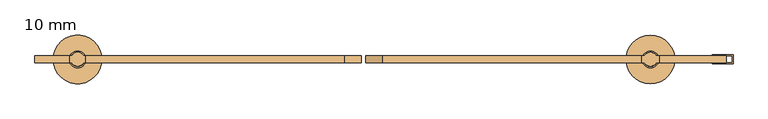
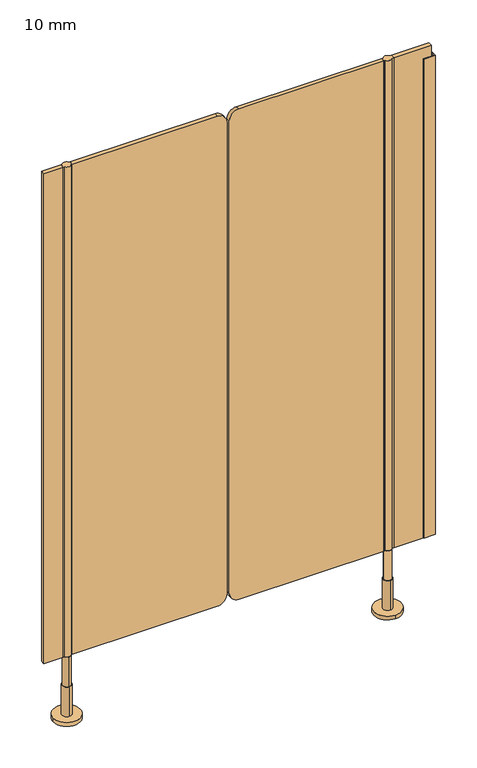
"""IFC4 building model written with IfcOpenShell, lengths in millimetres: door geometry, 10 mm."""

import ifcopenshell
import ifcopenshell.guid

model = None  # the IFC model being written
_history = None  # IfcOwnerHistory: only IFC2X3 demands one
_inside = {}  # id of a spatial element -> (the spatial element, [elements in it])
_under = {}  # id of a project, library or spatial element -> (it, [spatial elements below it])
_declared = {}  # id of a project -> (the project, [libraries it declares])
_typed = {}  # id of a type object -> (the type object, [elements of that type])
_made_of = {}  # id of a material, layer set ... -> (it, [elements and type objects made of it])


def new_model(schema):
    """Start an empty IFC model of exactly this schema.

    Asked for "IFC4X3", IfcOpenShell would pick the latest addendum, in which some entities
    have other attributes; the version numbers below select the first issue.
    IFC2X3 requires an IfcOwnerHistory on every rooted entity: one is made here for all.
    """
    global model, _history
    if schema == "IFC4X3":
        model = ifcopenshell.file(schema_version=(4, 3, 0, 0))
    else:
        model = ifcopenshell.file(schema=schema)
    _inside.clear()
    _under.clear()
    _declared.clear()
    _typed.clear()
    _made_of.clear()
    _history = None
    if model.schema == "IFC2X3":
        org = make("IfcOrganization", Name="unknown")
        user = make(
            "IfcPersonAndOrganization",
            ThePerson=make("IfcPerson", FamilyName="unknown"),
            TheOrganization=org,
        )
        app = make(
            "IfcApplication",
            ApplicationDeveloper=org,
            Version="unknown",
            ApplicationFullName="unknown",
            ApplicationIdentifier="unknown",
        )
        _history = make(
            "IfcOwnerHistory",
            OwningUser=user,
            OwningApplication=app,
            ChangeAction="ADDED",
            CreationDate=0,
        )
    return model


def make(cls, **values):
    """One entity of the class cls with the attributes given. An attribute that is None is left unset."""
    return model.create_entity(
        cls, **{name: value for name, value in values.items() if value is not None}
    )


def rooted(cls, **values):
    """An entity with a GlobalId (a new one), such as an element, a storey or a relation."""
    return make(cls, GlobalId=ifcopenshell.guid.new(), OwnerHistory=_history, **values)


def si_unit(unit_type, name, prefix=None):
    """IfcSIUnit, for example si_unit("LENGTHUNIT", "METRE", prefix="MILLI")."""
    return make("IfcSIUnit", UnitType=unit_type, Prefix=prefix, Name=name)


def assignment(units):
    """IfcUnitAssignment: the units of a project."""
    return None if units is None else make("IfcUnitAssignment", Units=units)


def point(xyz):
    """IfcCartesianPoint."""
    return None if xyz is None else make("IfcCartesianPoint", Coordinates=xyz)


def direction(xyz):
    """IfcDirection."""
    return None if xyz is None else make("IfcDirection", DirectionRatios=xyz)


def frame(location, z_axis=None, x_axis=None):
    """IfcAxis2Placement3D, a coordinate frame: its origin and axes. An axis left out is left unset."""
    return make(
        "IfcAxis2Placement3D",
        Location=point(location),
        Axis=direction(z_axis),
        RefDirection=direction(x_axis),
    )


def frame_2d(location, x_axis=None):
    """IfcAxis2Placement2D, a coordinate frame in the plane: its origin and x axis."""
    return make(
        "IfcAxis2Placement2D", Location=point(location), RefDirection=direction(x_axis)
    )


def origin():
    """The frame at (0, 0, 0) with its axes left unset."""
    return frame((0.0, 0.0, 0.0))


def place(relative_to, where):
    """IfcLocalPlacement: puts the frame where relative to a parent placement (None: the world)."""
    return make(
        "IfcLocalPlacement", PlacementRelTo=relative_to, RelativePlacement=where
    )


def context(
    kind, dimensions, precision=None, world=None, true_north=None, identifier=None
):
    """IfcGeometricRepresentationContext, for example the 3D "Model" context."""
    return make(
        "IfcGeometricRepresentationContext",
        ContextIdentifier=identifier,
        ContextType=kind,
        CoordinateSpaceDimension=dimensions,
        Precision=precision,
        WorldCoordinateSystem=world,
        TrueNorth=true_north,
    )


def project(units=None, contexts=None):
    """IfcProject with its units and contexts."""
    return rooted(
        "IfcProject",
        Name="project",
        RepresentationContexts=contexts,
        UnitsInContext=assignment(units),
    )


def spatial(cls, under=None, at=None, **own):
    """A site, building, storey or space (cls), placed at a placement, below another one or the project."""
    s = rooted(cls, ObjectPlacement=at, **own)
    if under is not None:
        _under.setdefault(under.id(), (under, []))[1].append(s)
    return s


def polyline(points):
    """IfcPolyline through the points."""
    return make("IfcPolyline", Points=[point(p) for p in points])


def circle_curve(where, radius):
    """IfcCircle in the frame where."""
    return make("IfcCircle", Position=where, Radius=radius)


def trimmed(basis, trim1, trim2, sense, master):
    """IfcTrimmedCurve: the piece of a basis curve between two trims."""
    return make(
        "IfcTrimmedCurve",
        BasisCurve=basis,
        Trim1=trim1,
        Trim2=trim2,
        SenseAgreement=sense,
        MasterRepresentation=master,
    )


def segment(curve, same_sense, transition):
    """IfcCompositeCurveSegment."""
    return make(
        "IfcCompositeCurveSegment",
        Transition=transition,
        SameSense=same_sense,
        ParentCurve=curve,
    )


def composite_curve(segments, self_intersect=None):
    """IfcCompositeCurve: segments joined end to end."""
    return make("IfcCompositeCurve", Segments=segments, SelfIntersect=self_intersect)


def outline(outer, holes=None, kind="AREA"):
    """IfcArbitraryClosedProfileDef: a profile drawn as a closed curve; with holes, ...WithVoids."""
    if holes is None:
        return make("IfcArbitraryClosedProfileDef", ProfileType=kind, OuterCurve=outer)
    return make(
        "IfcArbitraryProfileDefWithVoids",
        ProfileType=kind,
        OuterCurve=outer,
        InnerCurves=holes,
    )


def extrude(swept, where, along, depth):
    """IfcExtrudedAreaSolid: the profile swept, set in the frame where, extruded along a direction by depth."""
    return make(
        "IfcExtrudedAreaSolid",
        SweptArea=swept,
        Position=where,
        ExtrudedDirection=direction(along),
        Depth=depth,
    )


def shape(context_of_items, identifier, shape_type, items):
    """IfcShapeRepresentation: the items that make up one representation, for example the "Body"."""
    return make(
        "IfcShapeRepresentation",
        ContextOfItems=context_of_items,
        RepresentationIdentifier=identifier,
        RepresentationType=shape_type,
        Items=items,
    )


def source(mapping_origin, context_of_items, identifier, shape_type, items):
    """IfcRepresentationMap: a shape defined once, which mapped items show again and again."""
    return make(
        "IfcRepresentationMap",
        MappingOrigin=mapping_origin,
        MappedRepresentation=shape(context_of_items, identifier, shape_type, items),
    )


def transform(
    local_origin,
    x_axis=None,
    y_axis=None,
    z_axis=None,
    scale=None,
    scale2=None,
    scale3=None,
    uniform=True,
):
    """IfcCartesianTransformationOperator3D, or its non-uniform kind. x_axis, y_axis, z_axis: its Axis1, 2, 3."""
    if uniform:
        return make(
            "IfcCartesianTransformationOperator3D",
            Axis1=direction(x_axis),
            Axis2=direction(y_axis),
            LocalOrigin=point(local_origin),
            Scale=scale,
            Axis3=direction(z_axis),
        )
    return make(
        "IfcCartesianTransformationOperator3DnonUniform",
        Axis1=direction(x_axis),
        Axis2=direction(y_axis),
        LocalOrigin=point(local_origin),
        Scale=scale,
        Axis3=direction(z_axis),
        Scale2=scale2,
        Scale3=scale3,
    )


def mapped(mapping_source, mapping_target):
    """IfcMappedItem: shows the shape of a source again, moved by a transform."""
    return make(
        "IfcMappedItem", MappingSource=mapping_source, MappingTarget=mapping_target
    )


def made_of(thing, what):
    """Note that an element or type object is made of a material, layer set ...; save() writes the relation."""
    if what is not None:
        _made_of.setdefault(what.id(), (what, []))[1].append(thing)
    return thing


def element(
    cls,
    number,
    at=None,
    inside=None,
    cuts=None,
    type_object=None,
    material=None,
    context=None,
    identifier="Body",
    shape_type=None,
    held_by="IfcProductDefinitionShape",
    body=None,
    shapes=None,
    **own,
):
    """One element of the class cls, such as IfcWall. Its Tag is "e" and its number.

    at: its placement. inside: the storey or other place that contains it. cuts: it is an
    opening in that element (IfcRelVoidsElement). A single representation is given by context,
    identifier, shape_type and body (its items); several are given by shapes. held_by: the class
    of the entity that holds the representations. save() writes the other relations.
    """
    e = rooted(cls, Tag="e%d" % number, ObjectPlacement=at, **own)
    if body is not None:
        shapes = [shape(context, identifier, shape_type, body)]
    if shapes is not None:
        e.Representation = make(held_by, Representations=shapes)
    if inside is not None:
        _inside.setdefault(inside.id(), (inside, []))[1].append(e)
    if cuts is not None:
        rooted(
            "IfcRelVoidsElement", RelatingBuildingElement=cuts, RelatedOpeningElement=e
        )
    if type_object is not None:
        _typed.setdefault(type_object.id(), (type_object, []))[1].append(e)
    return made_of(e, material)


def aggregate(whole, parts):
    """IfcRelAggregates: a whole, such as a stair, and the parts it consists of."""
    return rooted("IfcRelAggregates", RelatingObject=whole, RelatedObjects=parts)


def save(model, path):
    """Write the relations noted so far, then the file.

    IfcRelAggregates (storeys below a building ...), IfcRelContainedInSpatialStructure (elements
    in a storey), IfcRelDefinesByType, IfcRelAssociatesMaterial and IfcRelDeclares: one each for
    every whole, place, type object, material and project.
    """
    for whole, parts in _under.values():
        aggregate(whole, parts)
    for where, things in _inside.values():
        rooted(
            "IfcRelContainedInSpatialStructure",
            RelatedElements=things,
            RelatingStructure=where,
        )
    for kind, things in _typed.values():
        rooted("IfcRelDefinesByType", RelatedObjects=things, RelatingType=kind)
    for what, things in _made_of.values():
        rooted("IfcRelAssociatesMaterial", RelatedObjects=things, RelatingMaterial=what)
    for by, libraries in _declared.values():
        rooted("IfcRelDeclares", RelatingContext=by, RelatedDefinitions=libraries)
    model.write(path)


def plane_surface(at):
    """IfcPlane: the flat surface through the origin of the frame at, square to its z axis."""
    return make("IfcPlane", Position=at)


def cylinder_surface(at, radius):
    """IfcCylindricalSurface: all points at the distance radius from the z axis of the frame at."""
    return make("IfcCylindricalSurface", Position=at, Radius=radius)


def advanced_brep(points, edges, surfaces, faces):
    """IfcAdvancedBrep: a solid bounded by faces that lie on surfaces and meet in shared edges.

    An edge is (start, end): straight between two places in points (the first is 0);
    or (start, end, curve); or (start, end, curve, False) where it runs against its curve.
    A face is (place in surfaces, loops), or (place, loops, False) where it looks against
    its surface's normal. A loop lists edges by number (the first is 1), with a minus sign
    where the edge is run from its end to its start. The first loop is the outer one.
    """
    corners = [point(p) for p in points]
    vertices = [make("IfcVertexPoint", VertexGeometry=c) for c in corners]
    made = []
    for start, end, *more in edges:
        made.append(
            make(
                "IfcEdgeCurve",
                EdgeStart=vertices[start],
                EdgeEnd=vertices[end],
                EdgeGeometry=more[0] if more else make("IfcPolyline", Points=[corners[start], corners[end]]),
                SameSense=more[1] if len(more) > 1 else True,
            )
        )
    hull = []
    for where, loops, *sense in faces:
        bounds = []
        for j, loop in enumerate(loops):
            ring = [make("IfcOrientedEdge", EdgeElement=made[abs(k) - 1], Orientation=k > 0) for k in loop]
            bounds.append(
                make(
                    "IfcFaceOuterBound" if j == 0 else "IfcFaceBound",
                    Bound=make("IfcEdgeLoop", EdgeList=ring),
                    Orientation=True,
                )
            )
        hull.append(make("IfcAdvancedFace", Bounds=bounds, FaceSurface=surfaces[where], SameSense=sense[0] if sense else True))
    return make("IfcAdvancedBrep", Outer=make("IfcClosedShell", CfsFaces=hull))


def door_10_mm_bf84d786(model_context):
    return source(origin(), model_context, "Body", "SolidModel", [
        advanced_brep(
        [(399.5, -1295.0, 170.0), (379.5, -1295.0, 170.0), (379.5, -1295.0, 90.0), (399.5, -1295.0, 90.0), (389.5, -1283.0, 90.0), (389.5, -1307.0, 90.0), (389.5, -1283.0, 10.0), (389.5, -1307.0, 10.0), (389.5, -1260.0, 10.0), (389.5, -1330.0, 10.0), (389.5, -1260.0, 0.0), (389.5, -1330.0, 0.0)],
        [
            (0, 1, circle_curve(frame((389.5, -1295.0, 170.0), z_axis=(0.0, 0.0, 1.0), x_axis=(-1.0, 0.0, 0.0)), 10.0)),
            (1, 0, circle_curve(frame((389.5, -1295.0, 170.0), z_axis=(0.0, 0.0, 1.0), x_axis=(-1.0, 0.0, 0.0)), 10.0)),
            (1, 2),
            (2, 3, circle_curve(frame((389.5, -1295.0, 90.0), z_axis=(0.0, 0.0, 1.0), x_axis=(-1.0, 0.0, 0.0)), 10.0)),
            (3, 0),
            (3, 2, circle_curve(frame((389.5, -1295.0, 90.0), z_axis=(0.0, 0.0, 1.0), x_axis=(-1.0, 0.0, 0.0)), 10.0)),
            (4, 5, circle_curve(frame((389.5, -1295.0, 90.0), z_axis=(0.0, 0.0, 1.0), x_axis=(0.0, -1.0, 0.0)), 12.0)),
            (5, 4, circle_curve(frame((389.5, -1295.0, 90.0), z_axis=(0.0, 0.0, 1.0), x_axis=(0.0, -1.0, 0.0)), 12.0)),
            (4, 6),
            (6, 7, circle_curve(frame((389.5, -1295.0, 10.0), z_axis=(0.0, 0.0, 1.0), x_axis=(0.0, -1.0, 0.0)), 12.0)),
            (7, 5),
            (7, 6, circle_curve(frame((389.5, -1295.0, 10.0), z_axis=(0.0, 0.0, 1.0), x_axis=(0.0, -1.0, 0.0)), 12.0)),
            (8, 9, circle_curve(frame((389.5, -1295.0, 10.0), z_axis=(0.0, 0.0, 1.0), x_axis=(0.0, -1.0, 0.0)), 35.0)),
            (9, 8, circle_curve(frame((389.5, -1295.0, 10.0), z_axis=(0.0, 0.0, 1.0), x_axis=(0.0, -1.0, 0.0)), 35.0)),
            (10, 11, circle_curve(frame((389.5, -1295.0, 0.0), z_axis=(0.0, 0.0, -1.0), x_axis=(0.0, -1.0, 0.0)), 35.0)),
            (11, 10, circle_curve(frame((389.5, -1295.0, 0.0), z_axis=(0.0, 0.0, -1.0), x_axis=(0.0, -1.0, 0.0)), 35.0)),
            (8, 10),
            (11, 9),
        ],
        [
            plane_surface(frame((389.5, -1290.0, 170.0), z_axis=(0.0, 0.0, 1.0), x_axis=(0.0, -1.0, 0.0))),
            cylinder_surface(frame((389.5, -1295.0, 90.0), z_axis=(0.0, 0.0, -1.0), x_axis=(-1.0, 0.0, 0.0)), 10.0),
            plane_surface(frame((389.5, -1290.0, 90.0), z_axis=(0.0, 0.0, 1.0), x_axis=(0.0, -1.0, 0.0))),
            cylinder_surface(frame((389.5, -1295.0, 90.0), z_axis=(0.0, 0.0, 1.0), x_axis=(0.0, -1.0, 0.0)), 12.0),
            plane_surface(frame((389.5, -1290.0, 10.0), z_axis=(0.0, 0.0, 1.0), x_axis=(0.0, -1.0, 0.0))),
            plane_surface(frame((389.5, -1290.0, 0.0), z_axis=(0.0, 0.0, -1.0), x_axis=(0.0, -1.0, 0.0))),
            cylinder_surface(frame((389.5, -1295.0, 10.0), z_axis=(0.0, 0.0, 1.0), x_axis=(0.0, -1.0, 0.0)), 35.0),
        ],
        [
            (0, [[1, 2]]),
            (1, [[-2, 3, 4, 5]]),
            (1, [[-1, -5, 6, -3]]),
            (2, [[7, 8], [-4, -6]]),
            (3, [[-7, 9, 10, 11]]),
            (3, [[-8, -11, 12, -9]]),
            (4, [[13, 14], [-10, -12]]),
            (5, [[15, 16]]),
            (6, [[-13, 17, -16, 18]]),
            (6, [[-14, -18, -15, -17]]),
        ],
    ),
        advanced_brep(
        [(-435.0, -1305.0, 170.0), (-435.0, -1285.0, 170.0), (-435.0, -1285.0, 90.0), (-435.0, -1305.0, 90.0), (-435.0, -1283.0, 90.0), (-435.0, -1307.0, 90.0), (-435.0, -1283.0, 10.0), (-435.0, -1307.0, 10.0), (-400.0, -1295.0, 0.0), (-470.0, -1295.0, 0.0), (-400.0, -1295.0, 10.0), (-470.0, -1295.0, 10.0)],
        [
            (0, 1, circle_curve(frame((-435.0, -1295.0, 170.0), z_axis=(0.0, 0.0, -1.0), x_axis=(0.0, -1.0, 0.0)), 10.0)),
            (1, 2),
            (2, 3, circle_curve(frame((-435.0, -1295.0, 90.0), z_axis=(0.0, 0.0, 1.0), x_axis=(0.0, -1.0, 0.0)), 10.0)),
            (3, 0),
            (1, 0, circle_curve(frame((-435.0, -1295.0, 170.0), z_axis=(0.0, 0.0, -1.0), x_axis=(0.0, -1.0, 0.0)), 10.0)),
            (3, 2, circle_curve(frame((-435.0, -1295.0, 90.0), z_axis=(0.0, 0.0, 1.0), x_axis=(0.0, -1.0, 0.0)), 10.0)),
            (4, 5, circle_curve(frame((-435.0, -1295.0, 90.0), z_axis=(0.0, 0.0, 1.0), x_axis=(0.0, -1.0, 0.0)), 12.0)),
            (5, 4, circle_curve(frame((-435.0, -1295.0, 90.0), z_axis=(0.0, 0.0, 1.0), x_axis=(0.0, -1.0, 0.0)), 12.0)),
            (4, 6),
            (6, 7, circle_curve(frame((-435.0, -1295.0, 10.0), z_axis=(0.0, 0.0, 1.0), x_axis=(0.0, -1.0, 0.0)), 12.0)),
            (7, 5),
            (7, 6, circle_curve(frame((-435.0, -1295.0, 10.0), z_axis=(0.0, 0.0, 1.0), x_axis=(0.0, -1.0, 0.0)), 12.0)),
            (8, 9, circle_curve(frame((-435.0, -1295.0, 0.0), z_axis=(0.0, 0.0, -1.0), x_axis=(-1.0, 0.0, 0.0)), 35.0)),
            (9, 8, circle_curve(frame((-435.0, -1295.0, 0.0), z_axis=(0.0, 0.0, -1.0), x_axis=(-1.0, 0.0, 0.0)), 35.0)),
            (10, 11, circle_curve(frame((-435.0, -1295.0, 10.0), z_axis=(0.0, 0.0, 1.0), x_axis=(-1.0, 0.0, 0.0)), 35.0)),
            (11, 10, circle_curve(frame((-435.0, -1295.0, 10.0), z_axis=(0.0, 0.0, 1.0), x_axis=(-1.0, 0.0, 0.0)), 35.0)),
            (8, 10),
            (11, 9),
        ],
        [
            cylinder_surface(frame((-435.0, -1295.0, 170.0), z_axis=(0.0, 0.0, 1.0), x_axis=(0.0, -1.0, 0.0)), 10.0),
            plane_surface(frame((-435.0, -1290.0, 90.0), z_axis=(0.0, 0.0, 1.0), x_axis=(0.0, -1.0, 0.0))),
            cylinder_surface(frame((-435.0, -1295.0, 90.0), z_axis=(0.0, 0.0, 1.0), x_axis=(0.0, -1.0, 0.0)), 12.0),
            plane_surface(frame((-435.0, -1290.0, 0.0), z_axis=(0.0, 0.0, -1.0), x_axis=(0.0, -1.0, 0.0))),
            plane_surface(frame((-435.0, -1290.0, 10.0), z_axis=(0.0, 0.0, 1.0), x_axis=(0.0, -1.0, 0.0))),
            cylinder_surface(frame((-435.0, -1295.0, 0.0), z_axis=(0.0, 0.0, -1.0), x_axis=(-1.0, 0.0, 0.0)), 35.0),
            plane_surface(frame((-435.0, -1290.0, 170.0), z_axis=(0.0, 0.0, 1.0), x_axis=(0.0, -1.0, 0.0))),
        ],
        [
            (0, [[1, 2, 3, 4]]),
            (0, [[5, -4, 6, -2]]),
            (1, [[7, 8], [-3, -6]]),
            (2, [[-7, 9, 10, 11]]),
            (2, [[-8, -11, 12, -9]]),
            (3, [[13, 14]]),
            (4, [[15, 16], [-10, -12]]),
            (5, [[-13, 17, -16, 18]]),
            (5, [[-14, -18, -15, -17]]),
            (6, [[-1, -5]]),
        ],
    ),
        extrude(outline(composite_curve([segment(polyline([(170.0, 376.5), (1500.0, 376.5), (1500.0, 4.5002203)]), True, "CONTINUOUS"), segment(trimmed(circle_curve(frame_2d((1475.0, 4.5002203)), 25.0), [point((1500.0, 4.5002203))], [point((1475.0, -20.4997797))], False, "CARTESIAN"), True, "CONTINUOUS"), segment(polyline([(1475.0, -20.4997797), (195.0, -20.4997797)]), True, "CONTINUOUS"), segment(trimmed(circle_curve(frame_2d((195.0, 4.5002203)), 25.0), [point((195.0, -20.4997797))], [point((170.0, 4.5002203))], False, "CARTESIAN"), True, "CONTINUOUS"), segment(polyline([(170.0, 4.5002203), (170.0, 376.5)]), True, "CONTINUOUS")], self_intersect=False)), frame((0.0, -1300.0, 0.0), z_axis=(0.0, 1.0, 0.0), x_axis=(0.0, 0.0, 1.0)), (0.0, 0.0, 1.0), 10.0),
        extrude(outline(composite_curve([segment(polyline([(1500.0, -423.5), (170.0, -423.5), (170.0, -51.5002203)]), True, "CONTINUOUS"), segment(trimmed(circle_curve(frame_2d((195.0, -51.5002203)), 25.0), [point((170.0, -51.5002203))], [point((195.0, -26.5002203))], False, "CARTESIAN"), True, "CONTINUOUS"), segment(polyline([(195.0, -26.5002203), (1475.0, -26.5002203)]), True, "CONTINUOUS"), segment(trimmed(circle_curve(frame_2d((1475.0, -51.5002203)), 25.0), [point((1475.0, -26.5002203))], [point((1500.0, -51.5002203))], False, "CARTESIAN"), True, "CONTINUOUS"), segment(polyline([(1500.0, -51.5002203), (1500.0, -423.5)]), True, "CONTINUOUS")], self_intersect=False)), frame((0.0, -1300.0, 0.0), z_axis=(0.0, 1.0, 0.0), x_axis=(0.0, 0.0, 1.0)), (0.0, 0.0, 1.0), 10.0),
        advanced_brep(
        [(-443.660254, -1290.0, 170.0), (-426.339746, -1290.0, 170.0), (-423.5, -1290.0010631, 170.0), (-423.5, -1299.9989369, 170.0), (-426.3391323, -1299.9989369, 170.0), (-443.6608677, -1299.9989369, 170.0), (-446.5, -1299.9989369, 170.0), (-446.5, -1290.0010631, 170.0), (-426.339746, -1290.0, 1500.0), (-443.660254, -1290.0, 1500.0), (-446.5, -1290.0010631, 1500.0), (-446.5, -1299.9989369, 1500.0), (-443.6608677, -1299.9989369, 1500.0), (-426.3391323, -1299.9989369, 1500.0), (-423.5, -1299.9989369, 1500.0), (-423.5, -1290.0010631, 1500.0)],
        [
            (0, 1, circle_curve(frame((-435.0, -1295.0, 170.0), z_axis=(0.0, 0.0, -1.0), x_axis=(-1.0, 0.0, 0.0)), 10.0)),
            (1, 2),
            (2, 3),
            (3, 4),
            (4, 5, circle_curve(frame((-435.0, -1295.0, 170.0), z_axis=(0.0, 0.0, -1.0), x_axis=(-1.0, 0.0, 0.0)), 10.0)),
            (5, 6),
            (6, 7),
            (7, 0),
            (8, 9, circle_curve(frame((-435.0, -1295.0, 1500.0), z_axis=(0.0, 0.0, 1.0), x_axis=(-1.0, 0.0, 0.0)), 10.0)),
            (9, 10),
            (10, 11),
            (11, 12),
            (12, 13, circle_curve(frame((-435.0, -1295.0, 1500.0), z_axis=(0.0, 0.0, 1.0), x_axis=(-1.0, 0.0, 0.0)), 10.0)),
            (13, 14),
            (14, 15),
            (15, 8),
            (0, 9),
            (8, 1),
            (4, 13),
            (12, 5),
            (7, 10),
            (15, 2),
            (14, 3),
            (11, 6),
        ],
        [
            plane_surface(frame((-428.7598646, -1290.0, 170.0), z_axis=(0.0, 0.0, -1.0), x_axis=(0.0, -1.0, 0.0))),
            plane_surface(frame((-428.7598646, -1290.0, 1500.0), z_axis=(0.0, 0.0, 1.0), x_axis=(0.0, -1.0, 0.0))),
            cylinder_surface(frame((-435.0, -1295.0, 170.0), z_axis=(0.0, 0.0, -1.0), x_axis=(-1.0, 0.0, 0.0)), 10.0),
            plane_surface(frame((-446.5, -1290.0010631, 170.0), z_axis=(0.0, 1.0, 0.0), x_axis=(0.0, 0.0, 1.0))),
            plane_surface(frame((-423.5, -1290.0010631, 170.0), z_axis=(1.0, 0.0, 0.0), x_axis=(0.0, 0.0, 1.0))),
            plane_surface(frame((-423.5, -1299.9989369, 170.0), z_axis=(0.0, -1.0, 0.0), x_axis=(0.0, 0.0, 1.0))),
            plane_surface(frame((-446.5, -1299.9989369, 170.0), z_axis=(-1.0, 0.0, 0.0), x_axis=(0.0, 0.0, 1.0))),
        ],
        [
            (0, [[1, 2, 3, 4, 5, 6, 7, 8]]),
            (1, [[9, 10, 11, 12, 13, 14, 15, 16]]),
            (2, [[-1, 17, -9, 18]]),
            (2, [[-5, 19, -13, 20]]),
            (3, [[21, -10, -17, -8]]),
            (3, [[22, -2, -18, -16]]),
            (4, [[-3, -22, -15, 23]]),
            (5, [[-23, -14, -19, -4]]),
            (5, [[24, -6, -20, -12]]),
            (6, [[-7, -24, -11, -21]]),
        ],
    ),
        extrude(outline(composite_curve([segment(trimmed(circle_curve(frame_2d((389.5, -1295.0)), 10.0), [point((398.1608677, -1299.9989369))], [point((380.8391323, -1299.9989369))], False, "CARTESIAN"), True, "CONTINUOUS"), segment(polyline([(380.8391323, -1299.9989369), (376.5, -1299.9989369), (376.5, -1290.0010631), (380.8391323, -1290.0010631)]), True, "CONTINUOUS"), segment(trimmed(circle_curve(frame_2d((389.5, -1295.0)), 10.0), [point((380.8391323, -1290.0010631))], [point((398.1608677, -1290.0010631))], False, "CARTESIAN"), True, "CONTINUOUS"), segment(polyline([(398.1608677, -1290.0010631), (402.5, -1290.0010631), (402.5, -1299.9989369), (398.1608677, -1299.9989369)]), True, "CONTINUOUS")], self_intersect=False)), frame((0.0, 0.0, 170.0), z_axis=(0.0, 0.0, 1.0), x_axis=(1.0, 0.0, 0.0)), (0.0, 0.0, 1.0), 1330.0),
        extrude(outline(polyline([(508.5, -1301.5), (478.5, -1301.5), (478.5, -1300.0), (507.0, -1300.0), (507.0, -1290.0), (478.5, -1290.0), (478.5, -1288.5), (508.5, -1288.5), (508.5, -1301.5)])), frame((0.0, 0.0, 170.0), z_axis=(0.0, 0.0, 1.0), x_axis=(1.0, 0.0, 0.0)), (0.0, 0.0, 1.0), 1300.0),
        extrude(outline(polyline([(402.5, -1290.0), (498.5, -1290.0), (498.5, -1300.0), (402.5, -1300.0), (402.5, -1290.0)])), frame((0.0, 0.0, 170.0), z_axis=(0.0, 0.0, 1.0), x_axis=(1.0, 0.0, 0.0)), (0.0, 0.0, 1.0), 1330.0),
        extrude(outline(polyline([(-446.5, -1290.0), (-446.5, -1300.0), (-496.5, -1300.0), (-496.5, -1290.0), (-446.5, -1290.0)])), frame((0.0, 0.0, 170.0), z_axis=(0.0, 0.0, 1.0), x_axis=(1.0, 0.0, 0.0)), (0.0, 0.0, 1.0), 1330.0),
    ])


if __name__ == "__main__":
    model = new_model("IFC4")
    model_context = context("Model", 3, world=origin())
    ifc_project = project(units=[si_unit("LENGTHUNIT", "METRE", prefix="MILLI")], contexts=[model_context])
    site = spatial("IfcSite", under=ifc_project)
    building = spatial("IfcBuilding", under=site)
    placement = place(None, origin())
    door_10_mm_shape = door_10_mm_bf84d786(model_context)
    element("IfcDoor", 1, ObjectType="10 mm", at=placement, inside=building, context=model_context, shape_type="MappedRepresentation", body=[
        mapped(door_10_mm_shape, transform((0.0, 0.0, 0.0), x_axis=(1.0, 0.0, 0.0), y_axis=(0.0, 1.0, 0.0), z_axis=(0.0, 0.0, 1.0))),
    ])
    save(model, "model.ifc")
